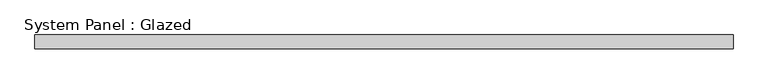
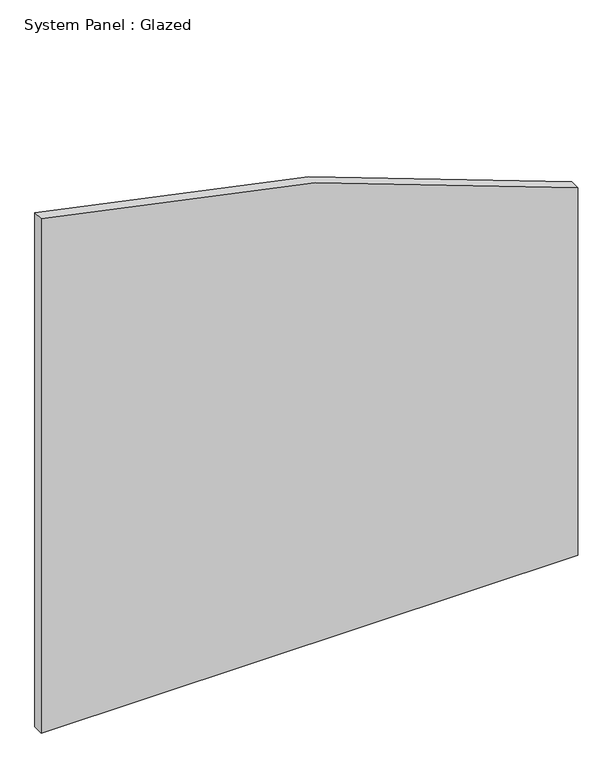
"""IFC4 building model written with IfcOpenShell, lengths in millimetres: plate geometry, System Panel : Glazed."""

from ifc_helpers import new_model, si_unit, point, frame, frame_2d, origin, place, context, project, spatial, polyline, circle_curve, trimmed, segment, composite_curve, outline, extrude, source, transform, mapped, element, save


def system_panel_glazed_e712fb59(model_context):
    return source(origin(), model_context, "Body", "SweptSolid", [
        extrude(outline(composite_curve([segment(polyline([(0.0, -635.0), (0.0, 635.0), (919.5653475, 635.0)]), True, "CONTINUOUS"), segment(trimmed(circle_curve(frame_2d((-3181.35, -1238.25)), 4508.5), [point((919.5653475, 635.0))], [point((1286.6094545, -635.0))], False, "CARTESIAN"), True, "CONTINUOUS"), segment(polyline([(1286.6094545, -635.0), (0.0, -635.0)]), True, "CONTINUOUS")], self_intersect=False)), frame((0.0, 19.05, 0.0), z_axis=(0.0, 1.0, 0.0), x_axis=(0.0, 0.0, 1.0)), (0.0, 0.0, 1.0), 25.4),
    ])


if __name__ == "__main__":
    model = new_model("IFC4")
    model_context = context("Model", 3, world=origin())
    ifc_project = project(units=[si_unit("LENGTHUNIT", "METRE", prefix="MILLI")], contexts=[model_context])
    site = spatial("IfcSite", under=ifc_project)
    building = spatial("IfcBuilding", under=site)
    placement = place(None, origin())
    system_panel_glazed_shape = system_panel_glazed_e712fb59(model_context)
    element("IfcPlate", 1, ObjectType="System Panel : Glazed", at=placement, inside=building, context=model_context, shape_type="MappedRepresentation", body=[
        mapped(system_panel_glazed_shape, transform((0.0, 0.0, 0.0), x_axis=(1.0, 0.0, 0.0), y_axis=(0.0, 1.0, 0.0), z_axis=(0.0, 0.0, 1.0))),
    ])
    save(model, "model.ifc")
